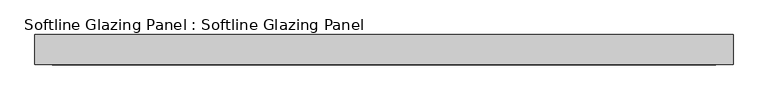
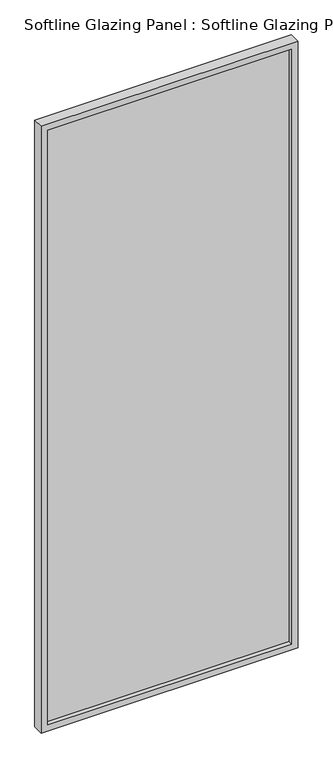
"""IFC4 building model written with IfcOpenShell, lengths in millimetres: plate geometry, Softline Glazing Panel : Softline Glazing Panel."""

from ifc_helpers import new_model, si_unit, frame, origin, place, context, project, spatial, polyline, outline, extrude, faceted_brep, source, transform, mapped, element, save


def softline_glazing_panel_softline_glazing_panel_008115d8(model_context):
    return source(origin(), model_context, "Body", "SolidModel", [
        extrude(outline(polyline([(507.0, 4.0), (507.0, -4.0), (-507.0, -4.0), (-507.0, 4.0), (507.0, 4.0)])), frame((0.0, 0.0, 16.0), z_axis=(0.0, 0.0, 1.0), x_axis=(1.0, 0.0, 0.0)), (0.0, 0.0, 1.0), 2578.0),
        faceted_brep([(497.0, 4.0, 26.0), (497.0, 22.5, 26.0), (-497.0, 22.5, 26.0), (-497.0, 4.0, 26.0), (507.0, -4.0, 16.0), (507.0, 4.0, 16.0), (-507.0, 4.0, 16.0), (-507.0, -4.0, 16.0), (497.0, -22.5, 26.0), (497.0, -4.0, 26.0), (-497.0, -4.0, 26.0), (-497.0, -22.5, 26.0), (523.0, 22.5, 0.0), (523.0, -22.5, 0.0), (-523.0, -22.5, 0.0), (-523.0, 22.5, 0.0), (-497.0, 22.5, 2584.0), (-497.0, 4.0, 2584.0), (-507.0, 4.0, 2594.0), (-507.0, -4.0, 2594.0), (-497.0, -4.0, 2584.0), (-497.0, -22.5, 2584.0), (-523.0, -22.5, 2610.0), (-523.0, 22.5, 2610.0), (497.0, 22.5, 2584.0), (497.0, 4.0, 2584.0), (507.0, 4.0, 2594.0), (507.0, -4.0, 2594.0), (497.0, -4.0, 2584.0), (497.0, -22.5, 2584.0), (523.0, -22.5, 2610.0), (523.0, 22.5, 2610.0)], [[[0, 1, 2, 3]], [[4, 5, 6, 7]], [[8, 9, 10, 11]], [[12, 13, 14, 15]], [[3, 2, 16, 17]], [[7, 6, 18, 19]], [[11, 10, 20, 21]], [[15, 14, 22, 23]], [[17, 16, 24, 25]], [[19, 18, 26, 27]], [[21, 20, 28, 29]], [[23, 22, 30, 31]], [[15, 23, 31, 12], [1, 24, 16, 2]], [[25, 24, 1, 0]], [[5, 26, 18, 6], [3, 17, 25, 0]], [[27, 26, 5, 4]], [[7, 19, 27, 4], [9, 28, 20, 10]], [[29, 28, 9, 8]], [[13, 30, 22, 14], [11, 21, 29, 8]], [[31, 30, 13, 12]]]),
    ])


if __name__ == "__main__":
    model = new_model("IFC4")
    model_context = context("Model", 3, world=origin())
    ifc_project = project(units=[si_unit("LENGTHUNIT", "METRE", prefix="MILLI")], contexts=[model_context])
    site = spatial("IfcSite", under=ifc_project)
    building = spatial("IfcBuilding", under=site)
    placement = place(None, origin())
    softline_glazing_panel_softline_glazing_panel_shape = softline_glazing_panel_softline_glazing_panel_008115d8(model_context)
    element("IfcPlate", 1, ObjectType="Softline Glazing Panel : Softline Glazing Panel", at=placement, inside=building, context=model_context, shape_type="MappedRepresentation", body=[
        mapped(softline_glazing_panel_softline_glazing_panel_shape, transform((0.0, 0.0, 0.0), x_axis=(1.0, 0.0, 0.0), y_axis=(0.0, 1.0, 0.0), z_axis=(0.0, 0.0, 1.0))),
    ])
    save(model, "model.ifc")
